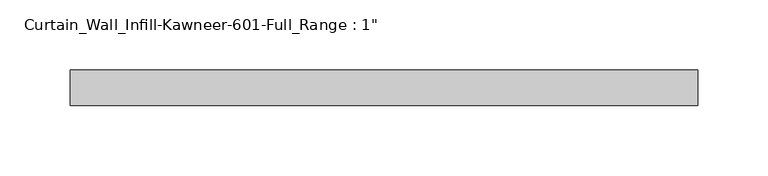
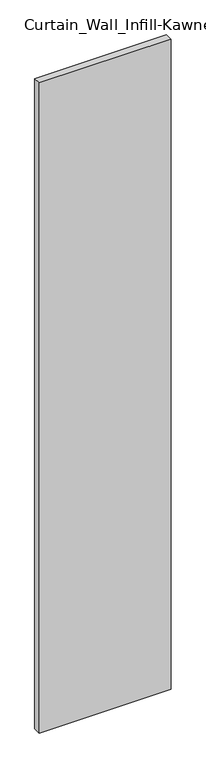
"""IFC4 building model written with IfcOpenShell, lengths in millimetres: plate geometry."""

from ifc_helpers import new_model, si_unit, origin, origin_with_axes, place, context, project, spatial, polyline, outline, extrude, source, transform, mapped, element, save


def plate_54292a39(model_context):
    return source(origin(), model_context, "Body", "SweptSolid", [
        extrude(outline(polyline([(-223.8375, 12.7), (223.8375, 12.7), (223.8375, -12.7), (-223.8375, -12.7), (-223.8375, 12.7)])), origin_with_axes(), (0.0, 0.0, 1.0), 2330.45),
    ])


if __name__ == "__main__":
    model = new_model("IFC4")
    model_context = context("Model", 3, world=origin())
    ifc_project = project(units=[si_unit("LENGTHUNIT", "METRE", prefix="MILLI")], contexts=[model_context])
    site = spatial("IfcSite", under=ifc_project)
    building = spatial("IfcBuilding", under=site)
    placement = place(None, origin())
    plate_shape = plate_54292a39(model_context)
    element("IfcPlate", 1, ObjectType="Curtain_Wall_Infill-Kawneer-601-Full_Range : 1\"", at=placement, inside=building, context=model_context, shape_type="MappedRepresentation", body=[
        mapped(plate_shape, transform((0.0, 0.0, 0.0), x_axis=(1.0, 0.0, 0.0), y_axis=(0.0, 1.0, 0.0), z_axis=(0.0, 0.0, 1.0))),
    ])
    save(model, "model.ifc")
